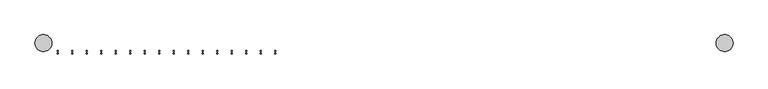
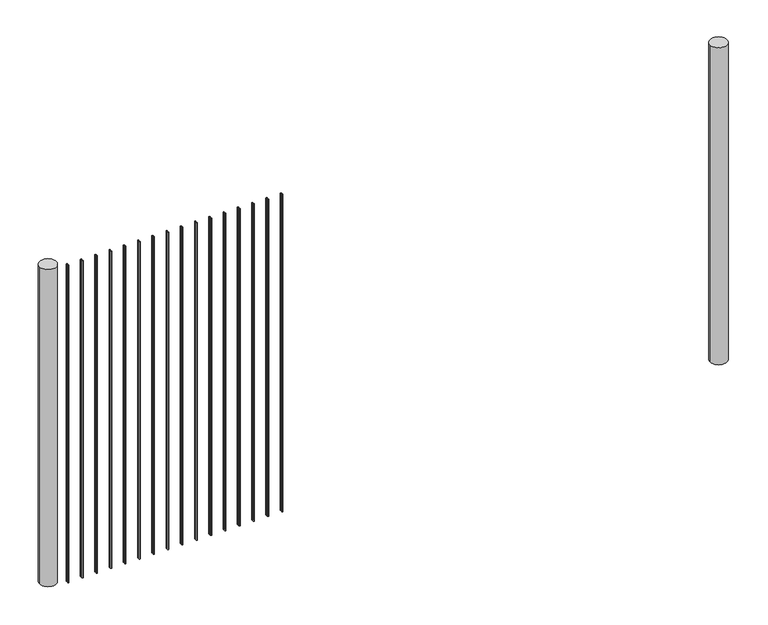
"""IFC4 building model written with IfcOpenShell, lengths in millimetres: railing geometry."""

from ifc_helpers import new_model, si_unit, point, frame, frame_2d, origin, place, context, project, spatial, circle_curve, trimmed, segment, composite_curve, outline, extrude, source, transform, mapped, element, save


def railing_9c7bebfd(model_context):
    return source(origin(), model_context, "Body", "SweptSolid", [
        extrude(outline(composite_curve([segment(trimmed(circle_curve(frame_2d((-10455.3645206, 643.7787637)), 2.0574), [point((-10455.3645206, 641.7213637))], [point((-10455.3645206, 645.8361637))], False, "CARTESIAN"), True, "CONTINUOUS"), segment(trimmed(circle_curve(frame_2d((-10455.3645206, 643.7787637)), 2.0574), [point((-10455.3645206, 645.8361637))], [point((-10455.3645206, 641.7213637))], False, "CARTESIAN"), True, "CONTINUOUS")], self_intersect=False)), frame((0.0, 0.0, 7620.0), z_axis=(0.0, 0.0, 1.0), x_axis=(1.0, 0.0, 0.0)), (0.0, 0.0, 1.0), 1219.2),
        extrude(outline(composite_curve([segment(trimmed(circle_curve(frame_2d((-10455.3645206, 635.5491637)), 2.0574), [point((-10455.3645206, 637.6065637))], [point((-10455.3645206, 633.4917637))], False, "CARTESIAN"), True, "CONTINUOUS"), segment(trimmed(circle_curve(frame_2d((-10455.3645206, 635.5491637)), 2.0574), [point((-10455.3645206, 633.4917637))], [point((-10455.3645206, 637.6065637))], False, "CARTESIAN"), True, "CONTINUOUS")], self_intersect=False)), frame((0.0, 0.0, 7620.0), z_axis=(0.0, 0.0, 1.0), x_axis=(1.0, 0.0, 0.0)), (0.0, 0.0, 1.0), 1219.2),
        extrude(outline(composite_curve([segment(trimmed(circle_curve(frame_2d((-10507.2453717, 643.7787637)), 2.0574), [point((-10507.2453717, 641.7213637))], [point((-10507.2453717, 645.8361637))], False, "CARTESIAN"), True, "CONTINUOUS"), segment(trimmed(circle_curve(frame_2d((-10507.2453717, 643.7787637)), 2.0574), [point((-10507.2453717, 645.8361637))], [point((-10507.2453717, 641.7213637))], False, "CARTESIAN"), True, "CONTINUOUS")], self_intersect=False)), frame((0.0, 0.0, 7620.0), z_axis=(0.0, 0.0, 1.0), x_axis=(1.0, 0.0, 0.0)), (0.0, 0.0, 1.0), 1219.2),
        extrude(outline(composite_curve([segment(trimmed(circle_curve(frame_2d((-10507.2453717, 635.5491637)), 2.0574), [point((-10507.2453717, 637.6065637))], [point((-10507.2453717, 633.4917637))], False, "CARTESIAN"), True, "CONTINUOUS"), segment(trimmed(circle_curve(frame_2d((-10507.2453717, 635.5491637)), 2.0574), [point((-10507.2453717, 633.4917637))], [point((-10507.2453717, 637.6065637))], False, "CARTESIAN"), True, "CONTINUOUS")], self_intersect=False)), frame((0.0, 0.0, 7620.0), z_axis=(0.0, 0.0, 1.0), x_axis=(1.0, 0.0, 0.0)), (0.0, 0.0, 1.0), 1219.2),
        extrude(outline(composite_curve([segment(trimmed(circle_curve(frame_2d((-10559.1262227, 643.7787637)), 2.0574), [point((-10559.1262227, 641.7213637))], [point((-10559.1262227, 645.8361637))], False, "CARTESIAN"), True, "CONTINUOUS"), segment(trimmed(circle_curve(frame_2d((-10559.1262227, 643.7787637)), 2.0574), [point((-10559.1262227, 645.8361637))], [point((-10559.1262227, 641.7213637))], False, "CARTESIAN"), True, "CONTINUOUS")], self_intersect=False)), frame((0.0, 0.0, 7620.0), z_axis=(0.0, 0.0, 1.0), x_axis=(1.0, 0.0, 0.0)), (0.0, 0.0, 1.0), 1219.2),
        extrude(outline(composite_curve([segment(trimmed(circle_curve(frame_2d((-10559.1262227, 635.5491637)), 2.0574), [point((-10559.1262227, 637.6065637))], [point((-10559.1262227, 633.4917637))], False, "CARTESIAN"), True, "CONTINUOUS"), segment(trimmed(circle_curve(frame_2d((-10559.1262227, 635.5491637)), 2.0574), [point((-10559.1262227, 633.4917637))], [point((-10559.1262227, 637.6065637))], False, "CARTESIAN"), True, "CONTINUOUS")], self_intersect=False)), frame((0.0, 0.0, 7620.0), z_axis=(0.0, 0.0, 1.0), x_axis=(1.0, 0.0, 0.0)), (0.0, 0.0, 1.0), 1219.2),
        extrude(outline(composite_curve([segment(trimmed(circle_curve(frame_2d((-10611.0070738, 643.7787637)), 2.0574), [point((-10611.0070738, 641.7213637))], [point((-10611.0070738, 645.8361637))], False, "CARTESIAN"), True, "CONTINUOUS"), segment(trimmed(circle_curve(frame_2d((-10611.0070738, 643.7787637)), 2.0574), [point((-10611.0070738, 645.8361637))], [point((-10611.0070738, 641.7213637))], False, "CARTESIAN"), True, "CONTINUOUS")], self_intersect=False)), frame((0.0, 0.0, 7620.0), z_axis=(0.0, 0.0, 1.0), x_axis=(1.0, 0.0, 0.0)), (0.0, 0.0, 1.0), 1219.2),
        extrude(outline(composite_curve([segment(trimmed(circle_curve(frame_2d((-10611.0070738, 635.5491637)), 2.0574), [point((-10611.0070738, 637.6065637))], [point((-10611.0070738, 633.4917637))], False, "CARTESIAN"), True, "CONTINUOUS"), segment(trimmed(circle_curve(frame_2d((-10611.0070738, 635.5491637)), 2.0574), [point((-10611.0070738, 633.4917637))], [point((-10611.0070738, 637.6065637))], False, "CARTESIAN"), True, "CONTINUOUS")], self_intersect=False)), frame((0.0, 0.0, 7620.0), z_axis=(0.0, 0.0, 1.0), x_axis=(1.0, 0.0, 0.0)), (0.0, 0.0, 1.0), 1219.2),
        extrude(outline(composite_curve([segment(trimmed(circle_curve(frame_2d((-10662.8879248, 643.7787637)), 2.0574), [point((-10662.8879248, 641.7213637))], [point((-10662.8879248, 645.8361637))], False, "CARTESIAN"), True, "CONTINUOUS"), segment(trimmed(circle_curve(frame_2d((-10662.8879248, 643.7787637)), 2.0574), [point((-10662.8879248, 645.8361637))], [point((-10662.8879248, 641.7213637))], False, "CARTESIAN"), True, "CONTINUOUS")], self_intersect=False)), frame((0.0, 0.0, 7620.0), z_axis=(0.0, 0.0, 1.0), x_axis=(1.0, 0.0, 0.0)), (0.0, 0.0, 1.0), 1219.2),
        extrude(outline(composite_curve([segment(trimmed(circle_curve(frame_2d((-10662.8879248, 635.5491637)), 2.0574), [point((-10662.8879248, 637.6065637))], [point((-10662.8879248, 633.4917637))], False, "CARTESIAN"), True, "CONTINUOUS"), segment(trimmed(circle_curve(frame_2d((-10662.8879248, 635.5491637)), 2.0574), [point((-10662.8879248, 633.4917637))], [point((-10662.8879248, 637.6065637))], False, "CARTESIAN"), True, "CONTINUOUS")], self_intersect=False)), frame((0.0, 0.0, 7620.0), z_axis=(0.0, 0.0, 1.0), x_axis=(1.0, 0.0, 0.0)), (0.0, 0.0, 1.0), 1219.2),
        extrude(outline(composite_curve([segment(trimmed(circle_curve(frame_2d((-10714.7687759, 643.7787637)), 2.0574), [point((-10714.7687759, 641.7213637))], [point((-10714.7687759, 645.8361637))], False, "CARTESIAN"), True, "CONTINUOUS"), segment(trimmed(circle_curve(frame_2d((-10714.7687759, 643.7787637)), 2.0574), [point((-10714.7687759, 645.8361637))], [point((-10714.7687759, 641.7213637))], False, "CARTESIAN"), True, "CONTINUOUS")], self_intersect=False)), frame((0.0, 0.0, 7620.0), z_axis=(0.0, 0.0, 1.0), x_axis=(1.0, 0.0, 0.0)), (0.0, 0.0, 1.0), 1219.2),
        extrude(outline(composite_curve([segment(trimmed(circle_curve(frame_2d((-10714.7687759, 635.5491637)), 2.0574), [point((-10714.7687759, 637.6065637))], [point((-10714.7687759, 633.4917637))], False, "CARTESIAN"), True, "CONTINUOUS"), segment(trimmed(circle_curve(frame_2d((-10714.7687759, 635.5491637)), 2.0574), [point((-10714.7687759, 633.4917637))], [point((-10714.7687759, 637.6065637))], False, "CARTESIAN"), True, "CONTINUOUS")], self_intersect=False)), frame((0.0, 0.0, 7620.0), z_axis=(0.0, 0.0, 1.0), x_axis=(1.0, 0.0, 0.0)), (0.0, 0.0, 1.0), 1219.2),
        extrude(outline(composite_curve([segment(trimmed(circle_curve(frame_2d((-10766.649627, 643.7787637)), 2.0574), [point((-10766.649627, 641.7213637))], [point((-10766.649627, 645.8361637))], False, "CARTESIAN"), True, "CONTINUOUS"), segment(trimmed(circle_curve(frame_2d((-10766.649627, 643.7787637)), 2.0574), [point((-10766.649627, 645.8361637))], [point((-10766.649627, 641.7213637))], False, "CARTESIAN"), True, "CONTINUOUS")], self_intersect=False)), frame((0.0, 0.0, 7620.0), z_axis=(0.0, 0.0, 1.0), x_axis=(1.0, 0.0, 0.0)), (0.0, 0.0, 1.0), 1219.2),
        extrude(outline(composite_curve([segment(trimmed(circle_curve(frame_2d((-10766.649627, 635.5491637)), 2.0574), [point((-10766.649627, 637.6065637))], [point((-10766.649627, 633.4917637))], False, "CARTESIAN"), True, "CONTINUOUS"), segment(trimmed(circle_curve(frame_2d((-10766.649627, 635.5491637)), 2.0574), [point((-10766.649627, 633.4917637))], [point((-10766.649627, 637.6065637))], False, "CARTESIAN"), True, "CONTINUOUS")], self_intersect=False)), frame((0.0, 0.0, 7620.0), z_axis=(0.0, 0.0, 1.0), x_axis=(1.0, 0.0, 0.0)), (0.0, 0.0, 1.0), 1219.2),
        extrude(outline(composite_curve([segment(trimmed(circle_curve(frame_2d((-10818.530478, 643.7787637)), 2.0574), [point((-10818.530478, 641.7213637))], [point((-10818.530478, 645.8361637))], False, "CARTESIAN"), True, "CONTINUOUS"), segment(trimmed(circle_curve(frame_2d((-10818.530478, 643.7787637)), 2.0574), [point((-10818.530478, 645.8361637))], [point((-10818.530478, 641.7213637))], False, "CARTESIAN"), True, "CONTINUOUS")], self_intersect=False)), frame((0.0, 0.0, 7620.0), z_axis=(0.0, 0.0, 1.0), x_axis=(1.0, 0.0, 0.0)), (0.0, 0.0, 1.0), 1219.2),
        extrude(outline(composite_curve([segment(trimmed(circle_curve(frame_2d((-10818.530478, 635.5491637)), 2.0574), [point((-10818.530478, 637.6065637))], [point((-10818.530478, 633.4917637))], False, "CARTESIAN"), True, "CONTINUOUS"), segment(trimmed(circle_curve(frame_2d((-10818.530478, 635.5491637)), 2.0574), [point((-10818.530478, 633.4917637))], [point((-10818.530478, 637.6065637))], False, "CARTESIAN"), True, "CONTINUOUS")], self_intersect=False)), frame((0.0, 0.0, 7620.0), z_axis=(0.0, 0.0, 1.0), x_axis=(1.0, 0.0, 0.0)), (0.0, 0.0, 1.0), 1219.2),
        extrude(outline(composite_curve([segment(trimmed(circle_curve(frame_2d((-10870.4113291, 643.7787637)), 2.0574), [point((-10870.4113291, 641.7213637))], [point((-10870.4113291, 645.8361637))], False, "CARTESIAN"), True, "CONTINUOUS"), segment(trimmed(circle_curve(frame_2d((-10870.4113291, 643.7787637)), 2.0574), [point((-10870.4113291, 645.8361637))], [point((-10870.4113291, 641.7213637))], False, "CARTESIAN"), True, "CONTINUOUS")], self_intersect=False)), frame((0.0, 0.0, 7620.0), z_axis=(0.0, 0.0, 1.0), x_axis=(1.0, 0.0, 0.0)), (0.0, 0.0, 1.0), 1219.2),
        extrude(outline(composite_curve([segment(trimmed(circle_curve(frame_2d((-10870.4113291, 635.5491637)), 2.0574), [point((-10870.4113291, 637.6065637))], [point((-10870.4113291, 633.4917637))], False, "CARTESIAN"), True, "CONTINUOUS"), segment(trimmed(circle_curve(frame_2d((-10870.4113291, 635.5491637)), 2.0574), [point((-10870.4113291, 633.4917637))], [point((-10870.4113291, 637.6065637))], False, "CARTESIAN"), True, "CONTINUOUS")], self_intersect=False)), frame((0.0, 0.0, 7620.0), z_axis=(0.0, 0.0, 1.0), x_axis=(1.0, 0.0, 0.0)), (0.0, 0.0, 1.0), 1219.2),
        extrude(outline(composite_curve([segment(trimmed(circle_curve(frame_2d((-10922.2921802, 643.7787637)), 2.0574), [point((-10922.2921802, 641.7213637))], [point((-10922.2921802, 645.8361637))], False, "CARTESIAN"), True, "CONTINUOUS"), segment(trimmed(circle_curve(frame_2d((-10922.2921802, 643.7787637)), 2.0574), [point((-10922.2921802, 645.8361637))], [point((-10922.2921802, 641.7213637))], False, "CARTESIAN"), True, "CONTINUOUS")], self_intersect=False)), frame((0.0, 0.0, 7620.0), z_axis=(0.0, 0.0, 1.0), x_axis=(1.0, 0.0, 0.0)), (0.0, 0.0, 1.0), 1219.2),
        extrude(outline(composite_curve([segment(trimmed(circle_curve(frame_2d((-10922.2921802, 635.5491637)), 2.0574), [point((-10922.2921802, 637.6065637))], [point((-10922.2921802, 633.4917637))], False, "CARTESIAN"), True, "CONTINUOUS"), segment(trimmed(circle_curve(frame_2d((-10922.2921802, 635.5491637)), 2.0574), [point((-10922.2921802, 633.4917637))], [point((-10922.2921802, 637.6065637))], False, "CARTESIAN"), True, "CONTINUOUS")], self_intersect=False)), frame((0.0, 0.0, 7620.0), z_axis=(0.0, 0.0, 1.0), x_axis=(1.0, 0.0, 0.0)), (0.0, 0.0, 1.0), 1219.2),
        extrude(outline(composite_curve([segment(trimmed(circle_curve(frame_2d((-10974.1730312, 643.7787637)), 2.0574), [point((-10974.1730312, 641.7213637))], [point((-10974.1730312, 645.8361637))], False, "CARTESIAN"), True, "CONTINUOUS"), segment(trimmed(circle_curve(frame_2d((-10974.1730312, 643.7787637)), 2.0574), [point((-10974.1730312, 645.8361637))], [point((-10974.1730312, 641.7213637))], False, "CARTESIAN"), True, "CONTINUOUS")], self_intersect=False)), frame((0.0, 0.0, 7620.0), z_axis=(0.0, 0.0, 1.0), x_axis=(1.0, 0.0, 0.0)), (0.0, 0.0, 1.0), 1219.2),
        extrude(outline(composite_curve([segment(trimmed(circle_curve(frame_2d((-10974.1730312, 635.5491637)), 2.0574), [point((-10974.1730312, 637.6065637))], [point((-10974.1730312, 633.4917637))], False, "CARTESIAN"), True, "CONTINUOUS"), segment(trimmed(circle_curve(frame_2d((-10974.1730312, 635.5491637)), 2.0574), [point((-10974.1730312, 633.4917637))], [point((-10974.1730312, 637.6065637))], False, "CARTESIAN"), True, "CONTINUOUS")], self_intersect=False)), frame((0.0, 0.0, 7620.0), z_axis=(0.0, 0.0, 1.0), x_axis=(1.0, 0.0, 0.0)), (0.0, 0.0, 1.0), 1219.2),
        extrude(outline(composite_curve([segment(trimmed(circle_curve(frame_2d((-11026.0538823, 643.7787637)), 2.0574), [point((-11026.0538823, 641.7213637))], [point((-11026.0538823, 645.8361637))], False, "CARTESIAN"), True, "CONTINUOUS"), segment(trimmed(circle_curve(frame_2d((-11026.0538823, 643.7787637)), 2.0574), [point((-11026.0538823, 645.8361637))], [point((-11026.0538823, 641.7213637))], False, "CARTESIAN"), True, "CONTINUOUS")], self_intersect=False)), frame((0.0, 0.0, 7620.0), z_axis=(0.0, 0.0, 1.0), x_axis=(1.0, 0.0, 0.0)), (0.0, 0.0, 1.0), 1219.2),
        extrude(outline(composite_curve([segment(trimmed(circle_curve(frame_2d((-11026.0538823, 635.5491637)), 2.0574), [point((-11026.0538823, 637.6065637))], [point((-11026.0538823, 633.4917637))], False, "CARTESIAN"), True, "CONTINUOUS"), segment(trimmed(circle_curve(frame_2d((-11026.0538823, 635.5491637)), 2.0574), [point((-11026.0538823, 633.4917637))], [point((-11026.0538823, 637.6065637))], False, "CARTESIAN"), True, "CONTINUOUS")], self_intersect=False)), frame((0.0, 0.0, 7620.0), z_axis=(0.0, 0.0, 1.0), x_axis=(1.0, 0.0, 0.0)), (0.0, 0.0, 1.0), 1219.2),
        extrude(outline(composite_curve([segment(trimmed(circle_curve(frame_2d((-11077.9347334, 643.7787637)), 2.0574), [point((-11077.9347334, 641.7213637))], [point((-11077.9347334, 645.8361637))], False, "CARTESIAN"), True, "CONTINUOUS"), segment(trimmed(circle_curve(frame_2d((-11077.9347334, 643.7787637)), 2.0574), [point((-11077.9347334, 645.8361637))], [point((-11077.9347334, 641.7213637))], False, "CARTESIAN"), True, "CONTINUOUS")], self_intersect=False)), frame((0.0, 0.0, 7620.0), z_axis=(0.0, 0.0, 1.0), x_axis=(1.0, 0.0, 0.0)), (0.0, 0.0, 1.0), 1219.2),
        extrude(outline(composite_curve([segment(trimmed(circle_curve(frame_2d((-11077.9347334, 635.5491637)), 2.0574), [point((-11077.9347334, 637.6065637))], [point((-11077.9347334, 633.4917637))], False, "CARTESIAN"), True, "CONTINUOUS"), segment(trimmed(circle_curve(frame_2d((-11077.9347334, 635.5491637)), 2.0574), [point((-11077.9347334, 633.4917637))], [point((-11077.9347334, 637.6065637))], False, "CARTESIAN"), True, "CONTINUOUS")], self_intersect=False)), frame((0.0, 0.0, 7620.0), z_axis=(0.0, 0.0, 1.0), x_axis=(1.0, 0.0, 0.0)), (0.0, 0.0, 1.0), 1219.2),
        extrude(outline(composite_curve([segment(trimmed(circle_curve(frame_2d((-11129.8155844, 643.7787637)), 2.0574), [point((-11129.8155844, 641.7213637))], [point((-11129.8155844, 645.8361637))], False, "CARTESIAN"), True, "CONTINUOUS"), segment(trimmed(circle_curve(frame_2d((-11129.8155844, 643.7787637)), 2.0574), [point((-11129.8155844, 645.8361637))], [point((-11129.8155844, 641.7213637))], False, "CARTESIAN"), True, "CONTINUOUS")], self_intersect=False)), frame((0.0, 0.0, 7620.0), z_axis=(0.0, 0.0, 1.0), x_axis=(1.0, 0.0, 0.0)), (0.0, 0.0, 1.0), 1219.2),
        extrude(outline(composite_curve([segment(trimmed(circle_curve(frame_2d((-11129.8155844, 635.5491637)), 2.0574), [point((-11129.8155844, 637.6065637))], [point((-11129.8155844, 633.4917637))], False, "CARTESIAN"), True, "CONTINUOUS"), segment(trimmed(circle_curve(frame_2d((-11129.8155844, 635.5491637)), 2.0574), [point((-11129.8155844, 633.4917637))], [point((-11129.8155844, 637.6065637))], False, "CARTESIAN"), True, "CONTINUOUS")], self_intersect=False)), frame((0.0, 0.0, 7620.0), z_axis=(0.0, 0.0, 1.0), x_axis=(1.0, 0.0, 0.0)), (0.0, 0.0, 1.0), 1219.2),
        extrude(outline(composite_curve([segment(trimmed(circle_curve(frame_2d((-11181.6964355, 643.7787637)), 2.0574), [point((-11181.6964355, 641.7213637))], [point((-11181.6964355, 645.8361637))], False, "CARTESIAN"), True, "CONTINUOUS"), segment(trimmed(circle_curve(frame_2d((-11181.6964355, 643.7787637)), 2.0574), [point((-11181.6964355, 645.8361637))], [point((-11181.6964355, 641.7213637))], False, "CARTESIAN"), True, "CONTINUOUS")], self_intersect=False)), frame((0.0, 0.0, 7620.0), z_axis=(0.0, 0.0, 1.0), x_axis=(1.0, 0.0, 0.0)), (0.0, 0.0, 1.0), 1219.2),
        extrude(outline(composite_curve([segment(trimmed(circle_curve(frame_2d((-11181.6964355, 635.5491637)), 2.0574), [point((-11181.6964355, 637.6065637))], [point((-11181.6964355, 633.4917637))], False, "CARTESIAN"), True, "CONTINUOUS"), segment(trimmed(circle_curve(frame_2d((-11181.6964355, 635.5491637)), 2.0574), [point((-11181.6964355, 633.4917637))], [point((-11181.6964355, 637.6065637))], False, "CARTESIAN"), True, "CONTINUOUS")], self_intersect=False)), frame((0.0, 0.0, 7620.0), z_axis=(0.0, 0.0, 1.0), x_axis=(1.0, 0.0, 0.0)), (0.0, 0.0, 1.0), 1219.2),
        extrude(outline(composite_curve([segment(trimmed(circle_curve(frame_2d((-11233.5772865, 643.7787637)), 2.0574), [point((-11233.5772865, 641.7213637))], [point((-11233.5772865, 645.8361637))], False, "CARTESIAN"), True, "CONTINUOUS"), segment(trimmed(circle_curve(frame_2d((-11233.5772865, 643.7787637)), 2.0574), [point((-11233.5772865, 645.8361637))], [point((-11233.5772865, 641.7213637))], False, "CARTESIAN"), True, "CONTINUOUS")], self_intersect=False)), frame((0.0, 0.0, 7620.0), z_axis=(0.0, 0.0, 1.0), x_axis=(1.0, 0.0, 0.0)), (0.0, 0.0, 1.0), 1219.2),
        extrude(outline(composite_curve([segment(trimmed(circle_curve(frame_2d((-11233.5772865, 635.5491637)), 2.0574), [point((-11233.5772865, 637.6065637))], [point((-11233.5772865, 633.4917637))], False, "CARTESIAN"), True, "CONTINUOUS"), segment(trimmed(circle_curve(frame_2d((-11233.5772865, 635.5491637)), 2.0574), [point((-11233.5772865, 633.4917637))], [point((-11233.5772865, 637.6065637))], False, "CARTESIAN"), True, "CONTINUOUS")], self_intersect=False)), frame((0.0, 0.0, 7620.0), z_axis=(0.0, 0.0, 1.0), x_axis=(1.0, 0.0, 0.0)), (0.0, 0.0, 1.0), 1219.2),
        extrude(outline(composite_curve([segment(trimmed(circle_curve(frame_2d((-8847.0581376, 673.0014637)), 30.1625), [point((-8877.2206376, 673.0014637))], [point((-8816.8956376, 673.0014637))], False, "CARTESIAN"), True, "CONTINUOUS"), segment(trimmed(circle_curve(frame_2d((-8847.0581376, 673.0014637)), 30.1625), [point((-8816.8956376, 673.0014637))], [point((-8877.2206376, 673.0014637))], False, "CARTESIAN"), True, "CONTINUOUS")], self_intersect=False)), frame((0.0, 0.0, 7620.0), z_axis=(0.0, 0.0, 1.0), x_axis=(1.0, 0.0, 0.0)), (0.0, 0.0, 1.0), 1219.2),
        extrude(outline(composite_curve([segment(trimmed(circle_curve(frame_2d((-11285.4581376, 673.0014637)), 30.1625), [point((-11315.6206376, 673.0014637))], [point((-11255.2956376, 673.0014637))], False, "CARTESIAN"), True, "CONTINUOUS"), segment(trimmed(circle_curve(frame_2d((-11285.4581376, 673.0014637)), 30.1625), [point((-11255.2956376, 673.0014637))], [point((-11315.6206376, 673.0014637))], False, "CARTESIAN"), True, "CONTINUOUS")], self_intersect=False)), frame((0.0, 0.0, 7620.0), z_axis=(0.0, 0.0, 1.0), x_axis=(1.0, 0.0, 0.0)), (0.0, 0.0, 1.0), 1219.2),
    ])


if __name__ == "__main__":
    model = new_model("IFC4")
    model_context = context("Model", 3, world=origin())
    ifc_project = project(units=[si_unit("LENGTHUNIT", "METRE", prefix="MILLI")], contexts=[model_context])
    site = spatial("IfcSite", under=ifc_project)
    building = spatial("IfcBuilding", under=site)
    placement = place(None, origin())
    railing_shape = railing_9c7bebfd(model_context)
    element("IfcRailing", 1, at=placement, inside=building, context=model_context, shape_type="MappedRepresentation", body=[
        mapped(railing_shape, transform((0.0, 0.0, 0.0), x_axis=(1.0, 0.0, 0.0), y_axis=(0.0, 1.0, 0.0), z_axis=(0.0, 0.0, 1.0))),
    ])
    save(model, "model.ifc")
